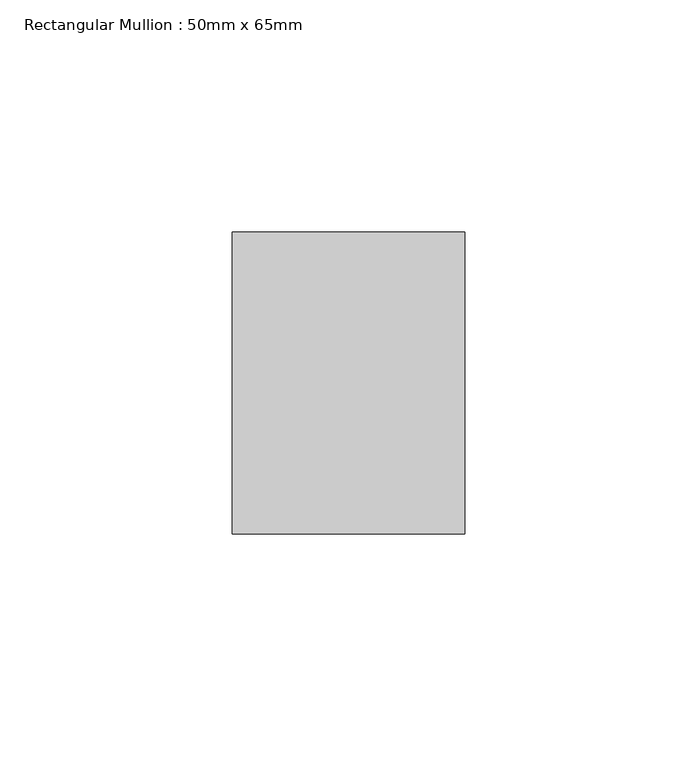
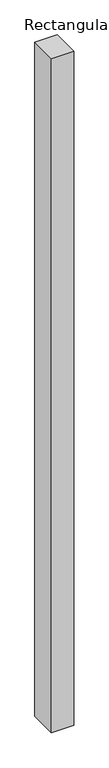
"""IFC4 building model written with IfcOpenShell, lengths in millimetres: member geometry, Rectangular Mullion : 50mm x 65mm."""

from ifc_helpers import new_model, si_unit, frame, origin, place, context, project, spatial, polyline, outline, extrude, source, transform, mapped, element, save


def rectangular_mullion_50mm_x_65mm_97be1310(model_context):
    return source(origin(), model_context, "Body", "SweptSolid", [
        extrude(outline(polyline([(25.0, 32.5), (25.0, -32.5), (-25.0, -32.5), (-25.0, 32.5), (25.0, 32.5)])), frame((0.0, 0.0, -1612.9642927), z_axis=(0.0, 0.0, 1.0), x_axis=(1.0, 0.0, 0.0)), (0.0, 0.0, 1.0), 1612.9642927),
    ])


if __name__ == "__main__":
    model = new_model("IFC4")
    model_context = context("Model", 3, world=origin())
    ifc_project = project(units=[si_unit("LENGTHUNIT", "METRE", prefix="MILLI")], contexts=[model_context])
    site = spatial("IfcSite", under=ifc_project)
    building = spatial("IfcBuilding", under=site)
    placement = place(None, origin())
    rectangular_mullion_50mm_x_65mm_shape = rectangular_mullion_50mm_x_65mm_97be1310(model_context)
    element("IfcMember", 1, ObjectType="Rectangular Mullion : 50mm x 65mm", at=placement, inside=building, context=model_context, shape_type="MappedRepresentation", body=[
        mapped(rectangular_mullion_50mm_x_65mm_shape, transform((0.0, 0.0, 0.0), x_axis=(1.0, 0.0, 0.0), y_axis=(0.0, 1.0, 0.0), z_axis=(0.0, 0.0, 1.0))),
    ])
    save(model, "model.ifc")
